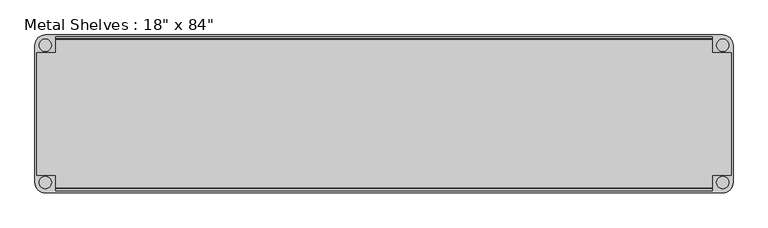
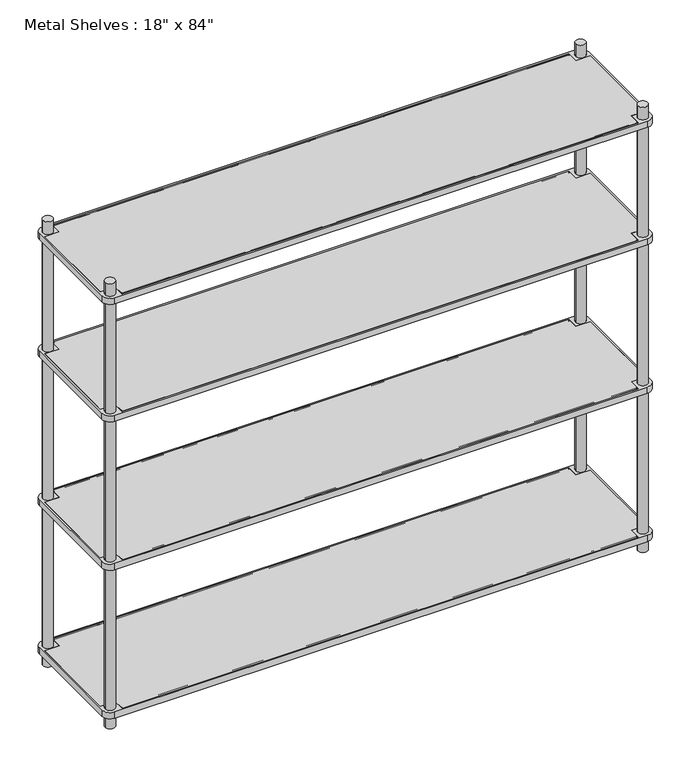
"""IFC4 building model written with IfcOpenShell, lengths in millimetres: furniture geometry."""

from ifc_helpers import new_model, si_unit, point, frame, frame_2d, origin, origin_with_axes, place, context, project, spatial, polyline, circle_curve, trimmed, segment, composite_curve, outline, extrude, source, transform, mapped, element, save


def furniture_cc4c5085(model_context):
    return source(origin(), model_context, "Body", "SweptSolid", [
        extrude(outline(polyline([(-1003.3, -234.95), (-1003.3, -187.325), (-1060.45, -187.325), (-1060.45, 187.325), (-1003.3, 187.325), (-1003.3, 234.95), (1003.3, 234.95), (1003.3, 187.325), (1060.45, 187.325), (1060.45, -187.325), (1003.3, -187.325), (1003.3, -234.95), (-1003.3, -234.95)])), frame((0.0, 0.0, 50.8), z_axis=(0.0, 0.0, 1.0), x_axis=(1.0, 0.0, 0.0)), (0.0, 0.0, 1.0), 25.4),
        extrude(outline(polyline([(-1003.3, -234.95), (-1003.3, -187.325), (-1060.45, -187.325), (-1060.45, 187.325), (-1003.3, 187.325), (-1003.3, 234.95), (1003.3, 234.95), (1003.3, 187.325), (1060.45, 187.325), (1060.45, -187.325), (1003.3, -187.325), (1003.3, -234.95), (-1003.3, -234.95)])), frame((0.0, 0.0, 660.4), z_axis=(0.0, 0.0, 1.0), x_axis=(1.0, 0.0, 0.0)), (0.0, 0.0, 1.0), 25.4),
        extrude(outline(polyline([(-1003.3, -234.95), (-1003.3, -187.325), (-1060.45, -187.325), (-1060.45, 187.325), (-1003.3, 187.325), (-1003.3, 234.95), (1003.3, 234.95), (1003.3, 187.325), (1060.45, 187.325), (1060.45, -187.325), (1003.3, -187.325), (1003.3, -234.95), (-1003.3, -234.95)])), frame((0.0, 0.0, 1270.0), z_axis=(0.0, 0.0, 1.0), x_axis=(1.0, 0.0, 0.0)), (0.0, 0.0, 1.0), 25.4),
        extrude(outline(polyline([(-1060.45, -187.325), (-1060.45, 187.325), (-1003.3, 187.325), (-1003.3, 234.95), (1003.3, 234.95), (1003.3, 187.325), (1060.45, 187.325), (1060.45, -187.325), (1003.3, -187.325), (1003.3, -234.95), (-1003.3, -234.95), (-1003.3, -187.325), (-1060.45, -187.325)])), frame((0.0, 0.0, 1752.6), z_axis=(0.0, 0.0, 1.0), x_axis=(1.0, 0.0, 0.0)), (0.0, 0.0, 1.0), 25.4),
        extrude(outline(composite_curve([segment(polyline([(1066.8, 209.55), (1066.8, -209.55)]), True, "CONTINUOUS"), segment(trimmed(circle_curve(frame_2d((1035.05, -209.55)), 31.75), [point((1066.8, -209.55))], [point((1035.05, -241.3))], False, "CARTESIAN"), True, "CONTINUOUS"), segment(polyline([(1035.05, -241.3), (-1035.05, -241.3)]), True, "CONTINUOUS"), segment(trimmed(circle_curve(frame_2d((-1035.05, -209.55)), 31.75), [point((-1035.05, -241.3))], [point((-1066.8, -209.55))], False, "CARTESIAN"), True, "CONTINUOUS"), segment(polyline([(-1066.8, -209.55), (-1066.8, 209.55)]), True, "CONTINUOUS"), segment(trimmed(circle_curve(frame_2d((-1035.05, 209.55)), 31.75), [point((-1066.8, 209.55))], [point((-1035.05, 241.3))], False, "CARTESIAN"), True, "CONTINUOUS"), segment(polyline([(-1035.05, 241.3), (1035.05, 241.3)]), True, "CONTINUOUS"), segment(trimmed(circle_curve(frame_2d((1035.05, 209.55)), 31.75), [point((1035.05, 241.3))], [point((1066.8, 209.55))], False, "CARTESIAN"), True, "CONTINUOUS")], self_intersect=False), holes=[polyline([(-1003.3, 234.95), (-1003.3, 187.325), (-1060.45, 187.325), (-1060.45, -187.325), (-1003.3, -187.325), (-1003.3, -234.95), (1003.3, -234.95), (1003.3, -187.325), (1060.45, -187.325), (1060.45, 187.325), (1003.3, 187.325), (1003.3, 234.95), (-1003.3, 234.95)]), composite_curve([segment(trimmed(circle_curve(frame_2d((1035.05, 209.55)), 19.05), [point((1016.0, 209.55))], [point((1054.1, 209.55))], True, "CARTESIAN"), True, "CONTINUOUS"), segment(trimmed(circle_curve(frame_2d((1035.05, 209.55)), 19.05), [point((1054.1, 209.55))], [point((1016.0, 209.55))], True, "CARTESIAN"), True, "CONTINUOUS")], self_intersect=False), composite_curve([segment(trimmed(circle_curve(frame_2d((1035.05, -209.55)), 19.05), [point((1016.0, -209.55))], [point((1054.1, -209.55))], True, "CARTESIAN"), True, "CONTINUOUS"), segment(trimmed(circle_curve(frame_2d((1035.05, -209.55)), 19.05), [point((1054.1, -209.55))], [point((1016.0, -209.55))], True, "CARTESIAN"), True, "CONTINUOUS")], self_intersect=False), composite_curve([segment(trimmed(circle_curve(frame_2d((-1035.05, -209.55)), 19.05), [point((-1016.0, -209.55))], [point((-1054.1, -209.55))], True, "CARTESIAN"), True, "CONTINUOUS"), segment(trimmed(circle_curve(frame_2d((-1035.05, -209.55)), 19.05), [point((-1054.1, -209.55))], [point((-1016.0, -209.55))], True, "CARTESIAN"), True, "CONTINUOUS")], self_intersect=False), composite_curve([segment(trimmed(circle_curve(frame_2d((-1035.05, 209.55)), 19.05), [point((-1016.0, 209.55))], [point((-1054.1, 209.55))], True, "CARTESIAN"), True, "CONTINUOUS"), segment(trimmed(circle_curve(frame_2d((-1035.05, 209.55)), 19.05), [point((-1054.1, 209.55))], [point((-1016.0, 209.55))], True, "CARTESIAN"), True, "CONTINUOUS")], self_intersect=False)]), frame((0.0, 0.0, 660.4), z_axis=(0.0, 0.0, 1.0), x_axis=(1.0, 0.0, 0.0)), (0.0, 0.0, 1.0), 25.4),
        extrude(outline(composite_curve([segment(polyline([(-1035.05, 241.3), (1035.05, 241.3)]), True, "CONTINUOUS"), segment(trimmed(circle_curve(frame_2d((1035.05, 209.55)), 31.75), [point((1035.05, 241.3))], [point((1066.8, 209.55))], False, "CARTESIAN"), True, "CONTINUOUS"), segment(polyline([(1066.8, 209.55), (1066.8, -209.55)]), True, "CONTINUOUS"), segment(trimmed(circle_curve(frame_2d((1035.05, -209.55)), 31.75), [point((1066.8, -209.55))], [point((1035.05, -241.3))], False, "CARTESIAN"), True, "CONTINUOUS"), segment(polyline([(1035.05, -241.3), (-1035.05, -241.3)]), True, "CONTINUOUS"), segment(trimmed(circle_curve(frame_2d((-1035.05, -209.55)), 31.75), [point((-1035.05, -241.3))], [point((-1066.8, -209.55))], False, "CARTESIAN"), True, "CONTINUOUS"), segment(polyline([(-1066.8, -209.55), (-1066.8, 209.55)]), True, "CONTINUOUS"), segment(trimmed(circle_curve(frame_2d((-1035.05, 209.55)), 31.75), [point((-1066.8, 209.55))], [point((-1035.05, 241.3))], False, "CARTESIAN"), True, "CONTINUOUS")], self_intersect=False), holes=[composite_curve([segment(trimmed(circle_curve(frame_2d((-1035.05, 209.55)), 19.05), [point((-1016.0, 209.55))], [point((-1054.1, 209.55))], True, "CARTESIAN"), True, "CONTINUOUS"), segment(trimmed(circle_curve(frame_2d((-1035.05, 209.55)), 19.05), [point((-1054.1, 209.55))], [point((-1016.0, 209.55))], True, "CARTESIAN"), True, "CONTINUOUS")], self_intersect=False), composite_curve([segment(trimmed(circle_curve(frame_2d((-1035.05, -209.55)), 19.05), [point((-1016.0, -209.55))], [point((-1054.1, -209.55))], True, "CARTESIAN"), True, "CONTINUOUS"), segment(trimmed(circle_curve(frame_2d((-1035.05, -209.55)), 19.05), [point((-1054.1, -209.55))], [point((-1016.0, -209.55))], True, "CARTESIAN"), True, "CONTINUOUS")], self_intersect=False), composite_curve([segment(trimmed(circle_curve(frame_2d((1035.05, 209.55)), 19.05), [point((1016.0, 209.55))], [point((1054.1, 209.55))], True, "CARTESIAN"), True, "CONTINUOUS"), segment(trimmed(circle_curve(frame_2d((1035.05, 209.55)), 19.05), [point((1054.1, 209.55))], [point((1016.0, 209.55))], True, "CARTESIAN"), True, "CONTINUOUS")], self_intersect=False), composite_curve([segment(trimmed(circle_curve(frame_2d((1035.05, -209.55)), 19.05), [point((1016.0, -209.55))], [point((1054.1, -209.55))], True, "CARTESIAN"), True, "CONTINUOUS"), segment(trimmed(circle_curve(frame_2d((1035.05, -209.55)), 19.05), [point((1054.1, -209.55))], [point((1016.0, -209.55))], True, "CARTESIAN"), True, "CONTINUOUS")], self_intersect=False), polyline([(-1003.3, 234.95), (-1003.3, 187.325), (-1060.45, 187.325), (-1060.45, -187.325), (-1003.3, -187.325), (-1003.3, -234.95), (1003.3, -234.95), (1003.3, -187.325), (1060.45, -187.325), (1060.45, 187.325), (1003.3, 187.325), (1003.3, 234.95), (-1003.3, 234.95)])]), frame((0.0, 0.0, 50.8), z_axis=(0.0, 0.0, 1.0), x_axis=(1.0, 0.0, 0.0)), (0.0, 0.0, 1.0), 25.4),
        extrude(outline(composite_curve([segment(polyline([(-1066.8, -209.55), (-1066.8, 209.55)]), True, "CONTINUOUS"), segment(trimmed(circle_curve(frame_2d((-1035.05, 209.55)), 31.75), [point((-1066.8, 209.55))], [point((-1035.05, 241.3))], False, "CARTESIAN"), True, "CONTINUOUS"), segment(polyline([(-1035.05, 241.3), (1035.05, 241.3)]), True, "CONTINUOUS"), segment(trimmed(circle_curve(frame_2d((1035.05, 209.55)), 31.75), [point((1035.05, 241.3))], [point((1066.8, 209.55))], False, "CARTESIAN"), True, "CONTINUOUS"), segment(polyline([(1066.8, 209.55), (1066.8, -209.55)]), True, "CONTINUOUS"), segment(trimmed(circle_curve(frame_2d((1035.05, -209.55)), 31.75), [point((1066.8, -209.55))], [point((1035.05, -241.3))], False, "CARTESIAN"), True, "CONTINUOUS"), segment(polyline([(1035.05, -241.3), (-1035.05, -241.3)]), True, "CONTINUOUS"), segment(trimmed(circle_curve(frame_2d((-1035.05, -209.55)), 31.75), [point((-1035.05, -241.3))], [point((-1066.8, -209.55))], False, "CARTESIAN"), True, "CONTINUOUS")], self_intersect=False), holes=[composite_curve([segment(trimmed(circle_curve(frame_2d((-1035.05, -209.55)), 19.05), [point((-1016.0, -209.55))], [point((-1054.1, -209.55))], True, "CARTESIAN"), True, "CONTINUOUS"), segment(trimmed(circle_curve(frame_2d((-1035.05, -209.55)), 19.05), [point((-1054.1, -209.55))], [point((-1016.0, -209.55))], True, "CARTESIAN"), True, "CONTINUOUS")], self_intersect=False), composite_curve([segment(trimmed(circle_curve(frame_2d((-1035.05, 209.55)), 19.05), [point((-1016.0, 209.55))], [point((-1054.1, 209.55))], True, "CARTESIAN"), True, "CONTINUOUS"), segment(trimmed(circle_curve(frame_2d((-1035.05, 209.55)), 19.05), [point((-1054.1, 209.55))], [point((-1016.0, 209.55))], True, "CARTESIAN"), True, "CONTINUOUS")], self_intersect=False), composite_curve([segment(trimmed(circle_curve(frame_2d((1035.05, 209.55)), 19.05), [point((1016.0, 209.55))], [point((1054.1, 209.55))], True, "CARTESIAN"), True, "CONTINUOUS"), segment(trimmed(circle_curve(frame_2d((1035.05, 209.55)), 19.05), [point((1054.1, 209.55))], [point((1016.0, 209.55))], True, "CARTESIAN"), True, "CONTINUOUS")], self_intersect=False), polyline([(-1003.3, 234.95), (-1003.3, 187.325), (-1060.45, 187.325), (-1060.45, -187.325), (-1003.3, -187.325), (-1003.3, -234.95), (1003.3, -234.95), (1003.3, -187.325), (1060.45, -187.325), (1060.45, 187.325), (1003.3, 187.325), (1003.3, 234.95), (-1003.3, 234.95)]), composite_curve([segment(trimmed(circle_curve(frame_2d((1035.05, -209.55)), 19.05), [point((1016.0, -209.55))], [point((1054.1, -209.55))], True, "CARTESIAN"), True, "CONTINUOUS"), segment(trimmed(circle_curve(frame_2d((1035.05, -209.55)), 19.05), [point((1054.1, -209.55))], [point((1016.0, -209.55))], True, "CARTESIAN"), True, "CONTINUOUS")], self_intersect=False)]), frame((0.0, 0.0, 1270.0), z_axis=(0.0, 0.0, 1.0), x_axis=(1.0, 0.0, 0.0)), (0.0, 0.0, 1.0), 25.4),
        extrude(outline(composite_curve([segment(polyline([(-1035.05, 241.3), (1035.05, 241.3)]), True, "CONTINUOUS"), segment(trimmed(circle_curve(frame_2d((1035.05, 209.55)), 31.75), [point((1035.05, 241.3))], [point((1066.8, 209.55))], False, "CARTESIAN"), True, "CONTINUOUS"), segment(polyline([(1066.8, 209.55), (1066.8, -209.55)]), True, "CONTINUOUS"), segment(trimmed(circle_curve(frame_2d((1035.05, -209.55)), 31.75), [point((1066.8, -209.55))], [point((1035.05, -241.3))], False, "CARTESIAN"), True, "CONTINUOUS"), segment(polyline([(1035.05, -241.3), (-1035.05, -241.3)]), True, "CONTINUOUS"), segment(trimmed(circle_curve(frame_2d((-1035.05, -209.55)), 31.75), [point((-1035.05, -241.3))], [point((-1066.8, -209.55))], False, "CARTESIAN"), True, "CONTINUOUS"), segment(polyline([(-1066.8, -209.55), (-1066.8, 209.55)]), True, "CONTINUOUS"), segment(trimmed(circle_curve(frame_2d((-1035.05, 209.55)), 31.75), [point((-1066.8, 209.55))], [point((-1035.05, 241.3))], False, "CARTESIAN"), True, "CONTINUOUS")], self_intersect=False), holes=[composite_curve([segment(trimmed(circle_curve(frame_2d((1035.05, -209.55)), 19.05), [point((1016.0, -209.55))], [point((1054.1, -209.55))], True, "CARTESIAN"), True, "CONTINUOUS"), segment(trimmed(circle_curve(frame_2d((1035.05, -209.55)), 19.05), [point((1054.1, -209.55))], [point((1016.0, -209.55))], True, "CARTESIAN"), True, "CONTINUOUS")], self_intersect=False), composite_curve([segment(trimmed(circle_curve(frame_2d((1035.05, 209.55)), 19.05), [point((1016.0, 209.55))], [point((1054.1, 209.55))], True, "CARTESIAN"), True, "CONTINUOUS"), segment(trimmed(circle_curve(frame_2d((1035.05, 209.55)), 19.05), [point((1054.1, 209.55))], [point((1016.0, 209.55))], True, "CARTESIAN"), True, "CONTINUOUS")], self_intersect=False), composite_curve([segment(trimmed(circle_curve(frame_2d((-1035.05, -209.55)), 19.05), [point((-1016.0, -209.55))], [point((-1054.1, -209.55))], True, "CARTESIAN"), True, "CONTINUOUS"), segment(trimmed(circle_curve(frame_2d((-1035.05, -209.55)), 19.05), [point((-1054.1, -209.55))], [point((-1016.0, -209.55))], True, "CARTESIAN"), True, "CONTINUOUS")], self_intersect=False), polyline([(1060.45, 187.325), (1003.3, 187.325), (1003.3, 234.95), (-1003.3, 234.95), (-1003.3, 187.325), (-1060.45, 187.325), (-1060.45, -187.325), (-1003.3, -187.325), (-1003.3, -234.95), (1003.3, -234.95), (1003.3, -187.325), (1060.45, -187.325), (1060.45, 187.325)]), composite_curve([segment(trimmed(circle_curve(frame_2d((-1035.05, 209.55)), 19.05), [point((-1016.0, 209.55))], [point((-1054.1, 209.55))], True, "CARTESIAN"), True, "CONTINUOUS"), segment(trimmed(circle_curve(frame_2d((-1035.05, 209.55)), 19.05), [point((-1054.1, 209.55))], [point((-1016.0, 209.55))], True, "CARTESIAN"), True, "CONTINUOUS")], self_intersect=False)]), frame((0.0, 0.0, 1752.6), z_axis=(0.0, 0.0, 1.0), x_axis=(1.0, 0.0, 0.0)), (0.0, 0.0, 1.0), 25.4),
        extrude(outline(composite_curve([segment(trimmed(circle_curve(frame_2d((-228.6, 1776.4125)), 1.5875), [point((-227.0125, 1776.4125))], [point((-230.1875, 1776.4125))], False, "CARTESIAN"), True, "CONTINUOUS"), segment(trimmed(circle_curve(frame_2d((-228.6, 1776.4125)), 1.5875), [point((-230.1875, 1776.4125))], [point((-227.0125, 1776.4125))], False, "CARTESIAN"), True, "CONTINUOUS")], self_intersect=False)), frame((-1003.3, 0.0, 0.0), z_axis=(1.0, 0.0, 0.0), x_axis=(0.0, 1.0, 0.0)), (0.0, 0.0, 1.0), 2006.6),
        extrude(outline(composite_curve([segment(trimmed(circle_curve(frame_2d((228.6, 1776.4125)), 1.5875), [point((230.1875, 1776.4125))], [point((227.0125, 1776.4125))], False, "CARTESIAN"), True, "CONTINUOUS"), segment(trimmed(circle_curve(frame_2d((228.6, 1776.4125)), 1.5875), [point((227.0125, 1776.4125))], [point((230.1875, 1776.4125))], False, "CARTESIAN"), True, "CONTINUOUS")], self_intersect=False)), frame((-1003.3, 0.0, 0.0), z_axis=(1.0, 0.0, 0.0), x_axis=(0.0, 1.0, 0.0)), (0.0, 0.0, 1.0), 2006.6),
        extrude(outline(composite_curve([segment(trimmed(circle_curve(frame_2d((-228.6, 1293.8125)), 1.5875), [point((-227.0125, 1293.8125))], [point((-230.1875, 1293.8125))], False, "CARTESIAN"), True, "CONTINUOUS"), segment(trimmed(circle_curve(frame_2d((-228.6, 1293.8125)), 1.5875), [point((-230.1875, 1293.8125))], [point((-227.0125, 1293.8125))], False, "CARTESIAN"), True, "CONTINUOUS")], self_intersect=False)), frame((-1003.3, 0.0, 0.0), z_axis=(1.0, 0.0, 0.0), x_axis=(0.0, 1.0, 0.0)), (0.0, 0.0, 1.0), 2006.6),
        extrude(outline(composite_curve([segment(trimmed(circle_curve(frame_2d((228.6, 1293.8125)), 1.5875), [point((230.1875, 1293.8125))], [point((227.0125, 1293.8125))], False, "CARTESIAN"), True, "CONTINUOUS"), segment(trimmed(circle_curve(frame_2d((228.6, 1293.8125)), 1.5875), [point((227.0125, 1293.8125))], [point((230.1875, 1293.8125))], False, "CARTESIAN"), True, "CONTINUOUS")], self_intersect=False)), frame((-1003.3, 0.0, 0.0), z_axis=(1.0, 0.0, 0.0), x_axis=(0.0, 1.0, 0.0)), (0.0, 0.0, 1.0), 2006.6),
        extrude(outline(composite_curve([segment(trimmed(circle_curve(frame_2d((-228.6, 684.2125)), 1.5875), [point((-227.0125, 684.2125))], [point((-230.1875, 684.2125))], False, "CARTESIAN"), True, "CONTINUOUS"), segment(trimmed(circle_curve(frame_2d((-228.6, 684.2125)), 1.5875), [point((-230.1875, 684.2125))], [point((-227.0125, 684.2125))], False, "CARTESIAN"), True, "CONTINUOUS")], self_intersect=False)), frame((-1003.3, 0.0, 0.0), z_axis=(1.0, 0.0, 0.0), x_axis=(0.0, 1.0, 0.0)), (0.0, 0.0, 1.0), 2006.6),
        extrude(outline(composite_curve([segment(trimmed(circle_curve(frame_2d((228.6, 684.2125)), 1.5875), [point((230.1875, 684.2125))], [point((227.0125, 684.2125))], False, "CARTESIAN"), True, "CONTINUOUS"), segment(trimmed(circle_curve(frame_2d((228.6, 684.2125)), 1.5875), [point((227.0125, 684.2125))], [point((230.1875, 684.2125))], False, "CARTESIAN"), True, "CONTINUOUS")], self_intersect=False)), frame((-1003.3, 0.0, 0.0), z_axis=(1.0, 0.0, 0.0), x_axis=(0.0, 1.0, 0.0)), (0.0, 0.0, 1.0), 2006.6),
        extrude(outline(composite_curve([segment(trimmed(circle_curve(frame_2d((-228.6, 74.6125)), 1.5875), [point((-227.0125, 74.6125))], [point((-230.1875, 74.6125))], False, "CARTESIAN"), True, "CONTINUOUS"), segment(trimmed(circle_curve(frame_2d((-228.6, 74.6125)), 1.5875), [point((-230.1875, 74.6125))], [point((-227.0125, 74.6125))], False, "CARTESIAN"), True, "CONTINUOUS")], self_intersect=False)), frame((-1003.3, 0.0, 0.0), z_axis=(1.0, 0.0, 0.0), x_axis=(0.0, 1.0, 0.0)), (0.0, 0.0, 1.0), 2006.6),
        extrude(outline(composite_curve([segment(trimmed(circle_curve(frame_2d((228.6, 74.6125)), 1.5875), [point((230.1875, 74.6125))], [point((227.0125, 74.6125))], False, "CARTESIAN"), True, "CONTINUOUS"), segment(trimmed(circle_curve(frame_2d((228.6, 74.6125)), 1.5875), [point((227.0125, 74.6125))], [point((230.1875, 74.6125))], False, "CARTESIAN"), True, "CONTINUOUS")], self_intersect=False)), frame((-1003.3, 0.0, 0.0), z_axis=(1.0, 0.0, 0.0), x_axis=(0.0, 1.0, 0.0)), (0.0, 0.0, 1.0), 2006.6),
        extrude(outline(composite_curve([segment(trimmed(circle_curve(frame_2d((1035.05, 209.55)), 19.05), [point((1054.1, 209.55))], [point((1016.0, 209.55))], False, "CARTESIAN"), True, "CONTINUOUS"), segment(trimmed(circle_curve(frame_2d((1035.05, 209.55)), 19.05), [point((1016.0, 209.55))], [point((1054.1, 209.55))], False, "CARTESIAN"), True, "CONTINUOUS")], self_intersect=False)), origin_with_axes(), (0.0, 0.0, 1.0), 1828.8),
        extrude(outline(composite_curve([segment(trimmed(circle_curve(frame_2d((-1035.05, 209.55)), 19.05), [point((-1054.1, 209.55))], [point((-1016.0, 209.55))], False, "CARTESIAN"), True, "CONTINUOUS"), segment(trimmed(circle_curve(frame_2d((-1035.05, 209.55)), 19.05), [point((-1016.0, 209.55))], [point((-1054.1, 209.55))], False, "CARTESIAN"), True, "CONTINUOUS")], self_intersect=False)), origin_with_axes(), (0.0, 0.0, 1.0), 1828.8),
        extrude(outline(composite_curve([segment(trimmed(circle_curve(frame_2d((1035.05, -209.55)), 19.05), [point((1054.1, -209.55))], [point((1016.0, -209.55))], False, "CARTESIAN"), True, "CONTINUOUS"), segment(trimmed(circle_curve(frame_2d((1035.05, -209.55)), 19.05), [point((1016.0, -209.55))], [point((1054.1, -209.55))], False, "CARTESIAN"), True, "CONTINUOUS")], self_intersect=False)), origin_with_axes(), (0.0, 0.0, 1.0), 1828.8),
        extrude(outline(composite_curve([segment(trimmed(circle_curve(frame_2d((-1035.05, -209.55)), 19.05), [point((-1054.1, -209.55))], [point((-1016.0, -209.55))], False, "CARTESIAN"), True, "CONTINUOUS"), segment(trimmed(circle_curve(frame_2d((-1035.05, -209.55)), 19.05), [point((-1016.0, -209.55))], [point((-1054.1, -209.55))], False, "CARTESIAN"), True, "CONTINUOUS")], self_intersect=False)), origin_with_axes(), (0.0, 0.0, 1.0), 1828.8),
    ])


if __name__ == "__main__":
    model = new_model("IFC4")
    model_context = context("Model", 3, world=origin())
    ifc_project = project(units=[si_unit("LENGTHUNIT", "METRE", prefix="MILLI")], contexts=[model_context])
    site = spatial("IfcSite", under=ifc_project)
    building = spatial("IfcBuilding", under=site)
    placement = place(None, origin())
    furniture_shape = furniture_cc4c5085(model_context)
    element("IfcFurniture", 1, ObjectType="Metal Shelves : 18\" x 84\"", at=placement, inside=building, context=model_context, shape_type="MappedRepresentation", body=[
        mapped(furniture_shape, transform((0.0, 0.0, 0.0), x_axis=(1.0, 0.0, 0.0), y_axis=(0.0, 1.0, 0.0), z_axis=(0.0, 0.0, 1.0))),
    ])
    save(model, "model.ifc")
